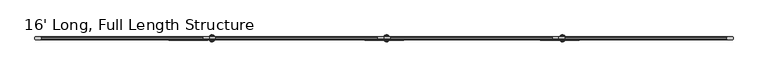
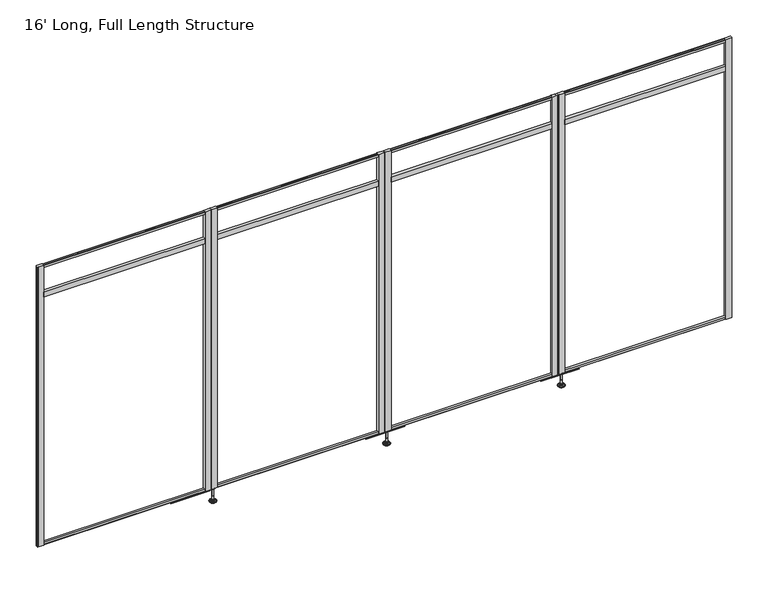
"""IFC4 building model written with IfcOpenShell, lengths in millimetres: furniture geometry, 16' Long, Full Length Structure."""

from ifc_helpers import new_model, si_unit, frame, origin, place, context, project, spatial, polyline, circle_curve, outline, extrude, source, transform, mapped, element, save
from ifc_brep_helpers import plane_surface, cylinder_surface, revolved_surface, advanced_brep


def furniture_16_long_full_length_structure_75994c08(model_context):
    return source(origin(), model_context, "Body", "SolidModel", [
        advanced_brep(
        [(1237.8396665, 0.0, 101.6), (1246.8175879, 0.0, 101.6), (1228.8617451, 0.0, 101.6), (1223.7354265, 0.0, 0.0206943), (1251.9439064, 0.0, 0.0206943), (1237.8396665, 0.0, 0.0206943), (1218.8573948, 0.0, 1.4194474), (1256.8219381, 0.0, 1.4194474), (1215.0954798, 0.0, 4.7394056), (1260.5838532, 0.0, 4.7394056), (1213.9780301, 0.0, 7.5051905), (1261.7013028, 0.0, 7.5051905), (1213.9780301, 0.0, 8.3065967), (1261.7013028, 0.0, 8.3065967), (1214.8204333, 0.0, 9.8469348), (1260.8588996, 0.0, 9.8469348), (1215.920576, 0.0, 10.8375077), (1259.758757, 0.0, 10.8375077), (1223.2242712, 0.0, 12.7338946), (1252.4550617, 0.0, 12.7338946), (1230.6424226, 0.0, 13.3828987), (1245.0369104, 0.0, 13.3828987), (1230.6424226, 0.0, 14.1772758), (1245.0369104, 0.0, 14.1772758), (1233.0392154, 0.0, 14.1772758), (1242.6401175, 0.0, 14.1772758), (1233.0392154, 0.0, 18.8098403), (1242.6401175, 0.0, 18.8098403), (1232.0233627, 0.0, 19.8256929), (1243.6559702, 0.0, 19.8256929), (1232.0233627, 0.0, 48.3056352), (1243.6559702, 0.0, 48.3056352), (1230.7998349, 0.0, 49.9293116), (1244.8794981, 0.0, 49.9293116), (1230.7998349, 0.0, 97.327223), (1244.8794981, 0.0, 97.327223), (1229.9187305, 0.0, 97.6479188), (1245.7606025, 0.0, 97.6479188), (1228.8697415, 0.0, 97.6479188), (1246.8095914, 0.0, 97.6479188), (1227.2047116, 0.0, 98.6092242), (1248.4746213, 0.0, 98.6092242), (1227.2047116, 0.0, 100.6043539), (1248.4746213, 0.0, 100.6043539)],
        [
            (0, 1),
            (1, 2, circle_curve(frame((1237.8396665, 0.0, 101.6), z_axis=(0.0, 0.0, 1.0), x_axis=(1.0, 0.0, 0.0)), 8.9779214)),
            (2, 0),
            (2, 1, circle_curve(frame((1237.8396665, 0.0, 101.6), z_axis=(0.0, 0.0, 1.0), x_axis=(1.0, 0.0, 0.0)), 8.9779214)),
            (3, 4, circle_curve(frame((1237.8396665, 0.0, 0.0206943), z_axis=(0.0, 0.0, -1.0), x_axis=(1.0, 0.0, 0.0)), 14.1042399)),
            (4, 5),
            (5, 3),
            (4, 3, circle_curve(frame((1237.8396665, 0.0, 0.0206943), z_axis=(0.0, 0.0, -1.0), x_axis=(1.0, 0.0, 0.0)), 14.1042399)),
            (6, 7, circle_curve(frame((1237.8396665, 0.0, 1.4194474), z_axis=(0.0, 0.0, -1.0), x_axis=(1.0, 0.0, 0.0)), 18.9822717)),
            (7, 4),
            (3, 6),
            (7, 6, circle_curve(frame((1237.8396665, 0.0, 1.4194474), z_axis=(0.0, 0.0, -1.0), x_axis=(1.0, 0.0, 0.0)), 18.9822717)),
            (8, 9, circle_curve(frame((1237.8396665, 0.0, 4.7394056), z_axis=(0.0, 0.0, -1.0), x_axis=(1.0, 0.0, 0.0)), 22.7441867)),
            (9, 7),
            (6, 8),
            (9, 8, circle_curve(frame((1237.8396665, 0.0, 4.7394056), z_axis=(0.0, 0.0, -1.0), x_axis=(1.0, 0.0, 0.0)), 22.7441867)),
            (10, 11, circle_curve(frame((1237.8396665, 0.0, 7.5051905), z_axis=(0.0, 0.0, -1.0), x_axis=(1.0, 0.0, 0.0)), 23.8616363)),
            (11, 9),
            (8, 10),
            (11, 10, circle_curve(frame((1237.8396665, 0.0, 7.5051905), z_axis=(0.0, 0.0, -1.0), x_axis=(1.0, 0.0, 0.0)), 23.8616363)),
            (12, 13, circle_curve(frame((1237.8396665, 0.0, 8.3065967), z_axis=(0.0, 0.0, -1.0), x_axis=(1.0, 0.0, 0.0)), 23.8616363)),
            (13, 11),
            (10, 12),
            (13, 12, circle_curve(frame((1237.8396665, 0.0, 8.3065967), z_axis=(0.0, 0.0, -1.0), x_axis=(1.0, 0.0, 0.0)), 23.8616363)),
            (14, 15, circle_curve(frame((1237.8396665, 0.0, 9.8469348), z_axis=(0.0, 0.0, -1.0), x_axis=(1.0, 0.0, 0.0)), 23.0192331)),
            (15, 13),
            (12, 14),
            (15, 14, circle_curve(frame((1237.8396665, 0.0, 9.8469348), z_axis=(0.0, 0.0, -1.0), x_axis=(1.0, 0.0, 0.0)), 23.0192331)),
            (16, 17, circle_curve(frame((1237.8396665, 0.0, 10.8375077), z_axis=(0.0, 0.0, -1.0), x_axis=(1.0, 0.0, 0.0)), 21.9190905)),
            (17, 15),
            (14, 16),
            (17, 16, circle_curve(frame((1237.8396665, 0.0, 10.8375077), z_axis=(0.0, 0.0, -1.0), x_axis=(1.0, 0.0, 0.0)), 21.9190905)),
            (18, 19, circle_curve(frame((1237.8396665, 0.0, 12.7338946), z_axis=(0.0, 0.0, -1.0), x_axis=(1.0, 0.0, 0.0)), 14.6153953)),
            (19, 17),
            (16, 18),
            (19, 18, circle_curve(frame((1237.8396665, 0.0, 12.7338946), z_axis=(0.0, 0.0, -1.0), x_axis=(1.0, 0.0, 0.0)), 14.6153953)),
            (20, 21, circle_curve(frame((1237.8396665, 0.0, 13.3828987), z_axis=(0.0, 0.0, -1.0), x_axis=(1.0, 0.0, 0.0)), 7.1972439)),
            (21, 19),
            (18, 20),
            (21, 20, circle_curve(frame((1237.8396665, 0.0, 13.3828987), z_axis=(0.0, 0.0, -1.0), x_axis=(1.0, 0.0, 0.0)), 7.1972439)),
            (22, 23, circle_curve(frame((1237.8396665, 0.0, 14.1772758), z_axis=(0.0, 0.0, -1.0), x_axis=(1.0, 0.0, 0.0)), 7.1972439)),
            (23, 21),
            (20, 22),
            (23, 22, circle_curve(frame((1237.8396665, 0.0, 14.1772758), z_axis=(0.0, 0.0, -1.0), x_axis=(1.0, 0.0, 0.0)), 7.1972439)),
            (24, 25, circle_curve(frame((1237.8396665, 0.0, 14.1772758), z_axis=(0.0, 0.0, -1.0), x_axis=(1.0, 0.0, 0.0)), 4.8004511)),
            (25, 23),
            (22, 24),
            (25, 24, circle_curve(frame((1237.8396665, 0.0, 14.1772758), z_axis=(0.0, 0.0, -1.0), x_axis=(1.0, 0.0, 0.0)), 4.8004511)),
            (26, 27, circle_curve(frame((1237.8396665, 0.0, 18.8098403), z_axis=(0.0, 0.0, -1.0), x_axis=(1.0, 0.0, 0.0)), 4.8004511)),
            (27, 25),
            (24, 26),
            (27, 26, circle_curve(frame((1237.8396665, 0.0, 18.8098403), z_axis=(0.0, 0.0, -1.0), x_axis=(1.0, 0.0, 0.0)), 4.8004511)),
            (28, 29, circle_curve(frame((1237.8396665, 0.0, 19.8256929), z_axis=(0.0, 0.0, -1.0), x_axis=(1.0, 0.0, 0.0)), 5.8163037)),
            (29, 27),
            (26, 28),
            (29, 28, circle_curve(frame((1237.8396665, 0.0, 19.8256929), z_axis=(0.0, 0.0, -1.0), x_axis=(1.0, 0.0, 0.0)), 5.8163037)),
            (30, 31, circle_curve(frame((1237.8396665, 0.0, 48.3056352), z_axis=(0.0, 0.0, -1.0), x_axis=(1.0, 0.0, 0.0)), 5.8163037)),
            (31, 29),
            (28, 30),
            (31, 30, circle_curve(frame((1237.8396665, 0.0, 48.3056352), z_axis=(0.0, 0.0, -1.0), x_axis=(1.0, 0.0, 0.0)), 5.8163037)),
            (32, 33, circle_curve(frame((1237.8396665, 0.0, 49.9293116), z_axis=(0.0, 0.0, -1.0), x_axis=(1.0, 0.0, 0.0)), 7.0398316)),
            (33, 31),
            (30, 32),
            (33, 32, circle_curve(frame((1237.8396665, 0.0, 49.9293116), z_axis=(0.0, 0.0, -1.0), x_axis=(1.0, 0.0, 0.0)), 7.0398316)),
            (34, 35, circle_curve(frame((1237.8396665, 0.0, 97.327223), z_axis=(0.0, 0.0, -1.0), x_axis=(1.0, 0.0, 0.0)), 7.0398316)),
            (35, 33),
            (32, 34),
            (35, 34, circle_curve(frame((1237.8396665, 0.0, 97.327223), z_axis=(0.0, 0.0, -1.0), x_axis=(1.0, 0.0, 0.0)), 7.0398316)),
            (36, 37, circle_curve(frame((1237.8396665, 0.0, 97.6479188), z_axis=(0.0, 0.0, -1.0), x_axis=(1.0, 0.0, 0.0)), 7.920936)),
            (37, 35),
            (34, 36),
            (37, 36, circle_curve(frame((1237.8396665, 0.0, 97.6479188), z_axis=(0.0, 0.0, -1.0), x_axis=(1.0, 0.0, 0.0)), 7.920936)),
            (38, 39, circle_curve(frame((1237.8396665, 0.0, 97.6479188), z_axis=(0.0, 0.0, -1.0), x_axis=(1.0, 0.0, 0.0)), 8.9699249)),
            (39, 37),
            (36, 38),
            (39, 38, circle_curve(frame((1237.8396665, 0.0, 97.6479188), z_axis=(0.0, 0.0, -1.0), x_axis=(1.0, 0.0, 0.0)), 8.9699249)),
            (40, 41, circle_curve(frame((1237.8396665, 0.0, 98.6092242), z_axis=(0.0, 0.0, -1.0), x_axis=(1.0, 0.0, 0.0)), 10.6349548)),
            (41, 39),
            (38, 40),
            (41, 40, circle_curve(frame((1237.8396665, 0.0, 98.6092242), z_axis=(0.0, 0.0, -1.0), x_axis=(1.0, 0.0, 0.0)), 10.6349548)),
            (42, 43, circle_curve(frame((1237.8396665, 0.0, 100.6043539), z_axis=(0.0, 0.0, -1.0), x_axis=(1.0, 0.0, 0.0)), 10.6349548)),
            (43, 41),
            (40, 42),
            (43, 42, circle_curve(frame((1237.8396665, 0.0, 100.6043539), z_axis=(0.0, 0.0, -1.0), x_axis=(1.0, 0.0, 0.0)), 10.6349548)),
            (1, 43),
            (42, 2),
        ],
        [
            plane_surface(frame((1237.8396665, 0.0, 101.6), z_axis=(0.0, 0.0, 1.0), x_axis=(1.0, 0.0, 0.0))),
            plane_surface(frame((1237.8396665, 0.0, 0.0206943), z_axis=(0.0, 0.0, -1.0), x_axis=(1.0, 0.0, 0.0))),
            revolved_surface(polyline([(1251.9439064, 0.0, 0.0206943), (1256.8219381, 0.0, 1.4194474)]), (1237.8396665, 0.0, 101.6), (0.0, 0.0, 1.0)),
            revolved_surface(polyline([(1256.8219381, 0.0, 1.4194474), (1260.5838532, 0.0, 4.7394056)]), (1237.8396665, 0.0, 101.6), (0.0, 0.0, 1.0)),
            revolved_surface(polyline([(1260.5838532, 0.0, 4.7394056), (1261.7013028, 0.0, 7.5051905)]), (1237.8396665, 0.0, 101.6), (0.0, 0.0, 1.0)),
            cylinder_surface(frame((1237.8396665, 0.0, 101.6), z_axis=(0.0, 0.0, 1.0), x_axis=(1.0, 0.0, 0.0)), 23.8616363),
            revolved_surface(polyline([(1261.7013028, 0.0, 8.3065967), (1260.8588996, 0.0, 9.8469348)]), (1237.8396665, 0.0, 101.6), (0.0, 0.0, 1.0)),
            revolved_surface(polyline([(1260.8588996, 0.0, 9.8469348), (1259.758757, 0.0, 10.8375077)]), (1237.8396665, 0.0, 101.6), (0.0, 0.0, 1.0)),
            revolved_surface(polyline([(1259.758757, 0.0, 10.8375077), (1252.4550617, 0.0, 12.7338946)]), (1237.8396665, 0.0, 101.6), (0.0, 0.0, 1.0)),
            revolved_surface(polyline([(1252.4550617, 0.0, 12.7338946), (1245.0369104, 0.0, 13.3828987)]), (1237.8396665, 0.0, 101.6), (0.0, 0.0, 1.0)),
            cylinder_surface(frame((1237.8396665, 0.0, 101.6), z_axis=(0.0, 0.0, 1.0), x_axis=(1.0, 0.0, 0.0)), 7.1972439),
            plane_surface(frame((1237.8396665, 0.0, 14.1772758), z_axis=(0.0, 0.0, 1.0), x_axis=(1.0, 0.0, 0.0))),
            cylinder_surface(frame((1237.8396665, 0.0, 101.6), z_axis=(0.0, 0.0, 1.0), x_axis=(1.0, 0.0, 0.0)), 4.8004511),
            revolved_surface(polyline([(1242.6401175, 0.0, 18.8098403), (1243.6559702, 0.0, 19.8256929)]), (1237.8396665, 0.0, 101.6), (0.0, 0.0, 1.0)),
            cylinder_surface(frame((1237.8396665, 0.0, 101.6), z_axis=(0.0, 0.0, 1.0), x_axis=(1.0, 0.0, 0.0)), 5.8163037),
            revolved_surface(polyline([(1243.6559702, 0.0, 48.3056352), (1244.8794981, 0.0, 49.9293116)]), (1237.8396665, 0.0, 101.6), (0.0, 0.0, 1.0)),
            cylinder_surface(frame((1237.8396665, 0.0, 101.6), z_axis=(0.0, 0.0, 1.0), x_axis=(1.0, 0.0, 0.0)), 7.0398316),
            revolved_surface(polyline([(1244.8794981, 0.0, 97.327223), (1245.7606025, 0.0, 97.6479188)]), (1237.8396665, 0.0, 101.6), (0.0, 0.0, 1.0)),
            plane_surface(frame((1237.8396665, 0.0, 97.6479188), z_axis=(0.0, 0.0, -1.0), x_axis=(1.0, 0.0, 0.0))),
            revolved_surface(polyline([(1246.8095914, 0.0, 97.6479188), (1248.4746213, 0.0, 98.6092242)]), (1237.8396665, 0.0, 101.6), (0.0, 0.0, 1.0)),
            cylinder_surface(frame((1237.8396665, 0.0, 101.6), z_axis=(0.0, 0.0, 1.0), x_axis=(1.0, 0.0, 0.0)), 10.6349548),
            revolved_surface(polyline([(1248.4746213, 0.0, 100.6043539), (1246.8175879, 0.0, 101.6)]), (1237.8396665, 0.0, 101.6), (0.0, 0.0, 1.0)),
        ],
        [
            (0, [[1, 2, 3]]),
            (0, [[-3, 4, -1]]),
            (1, [[5, 6, 7]]),
            (1, [[8, -7, -6]]),
            (2, [[9, 10, -5, 11]]),
            (2, [[12, -11, -8, -10]]),
            (3, [[13, 14, -9, 15]]),
            (3, [[16, -15, -12, -14]]),
            (4, [[17, 18, -13, 19]]),
            (4, [[20, -19, -16, -18]]),
            (5, [[21, 22, -17, 23]]),
            (5, [[24, -23, -20, -22]]),
            (6, [[25, 26, -21, 27]]),
            (6, [[28, -27, -24, -26]]),
            (7, [[29, 30, -25, 31]]),
            (7, [[32, -31, -28, -30]]),
            (8, [[33, 34, -29, 35]]),
            (8, [[36, -35, -32, -34]]),
            (9, [[37, 38, -33, 39]]),
            (9, [[40, -39, -36, -38]]),
            (10, [[41, 42, -37, 43]]),
            (10, [[44, -43, -40, -42]]),
            (11, [[45, 46, -41, 47]]),
            (11, [[48, -47, -44, -46]]),
            (12, [[49, 50, -45, 51]]),
            (12, [[52, -51, -48, -50]]),
            (13, [[53, 54, -49, 55]]),
            (13, [[56, -55, -52, -54]]),
            (14, [[57, 58, -53, 59]]),
            (14, [[60, -59, -56, -58]]),
            (15, [[61, 62, -57, 63]]),
            (15, [[64, -63, -60, -62]]),
            (16, [[65, 66, -61, 67]]),
            (16, [[68, -67, -64, -66]]),
            (17, [[69, 70, -65, 71]]),
            (17, [[72, -71, -68, -70]]),
            (18, [[73, 74, -69, 75]]),
            (18, [[76, -75, -72, -74]]),
            (19, [[77, 78, -73, 79]]),
            (19, [[80, -79, -76, -78]]),
            (20, [[81, 82, -77, 83]]),
            (20, [[84, -83, -80, -82]]),
            (21, [[-2, 85, -81, 86]]),
            (21, [[-4, -86, -84, -85]]),
        ],
    ),
        advanced_brep(
        [(2461.3576665, 0.0, 101.6), (2470.3355879, 0.0, 101.6), (2452.3797451, 0.0, 101.6), (2447.2534265, 0.0, 0.0206943), (2475.4619064, 0.0, 0.0206943), (2461.3576665, 0.0, 0.0206943), (2442.3753948, 0.0, 1.4194474), (2480.3399381, 0.0, 1.4194474), (2438.6134798, 0.0, 4.7394056), (2484.1018532, 0.0, 4.7394056), (2437.4960301, 0.0, 7.5051905), (2485.2193028, 0.0, 7.5051905), (2437.4960301, 0.0, 8.3065967), (2485.2193028, 0.0, 8.3065967), (2438.3384333, 0.0, 9.8469348), (2484.3768996, 0.0, 9.8469348), (2439.438576, 0.0, 10.8375077), (2483.276757, 0.0, 10.8375077), (2446.7422712, 0.0, 12.7338946), (2475.9730617, 0.0, 12.7338946), (2454.1604226, 0.0, 13.3828987), (2468.5549104, 0.0, 13.3828987), (2454.1604226, 0.0, 14.1772758), (2468.5549104, 0.0, 14.1772758), (2456.5572154, 0.0, 14.1772758), (2466.1581175, 0.0, 14.1772758), (2456.5572154, 0.0, 18.8098403), (2466.1581175, 0.0, 18.8098403), (2455.5413627, 0.0, 19.8256929), (2467.1739702, 0.0, 19.8256929), (2455.5413627, 0.0, 48.3056352), (2467.1739702, 0.0, 48.3056352), (2454.3178349, 0.0, 49.9293116), (2468.3974981, 0.0, 49.9293116), (2454.3178349, 0.0, 97.327223), (2468.3974981, 0.0, 97.327223), (2453.4367305, 0.0, 97.6479188), (2469.2786025, 0.0, 97.6479188), (2452.3877415, 0.0, 97.6479188), (2470.3275914, 0.0, 97.6479188), (2450.7227116, 0.0, 98.6092242), (2471.9926213, 0.0, 98.6092242), (2450.7227116, 0.0, 100.6043539), (2471.9926213, 0.0, 100.6043539)],
        [
            (0, 1),
            (1, 2, circle_curve(frame((2461.3576665, 0.0, 101.6), z_axis=(0.0, 0.0, 1.0), x_axis=(1.0, 0.0, 0.0)), 8.9779214)),
            (2, 0),
            (2, 1, circle_curve(frame((2461.3576665, 0.0, 101.6), z_axis=(0.0, 0.0, 1.0), x_axis=(1.0, 0.0, 0.0)), 8.9779214)),
            (3, 4, circle_curve(frame((2461.3576665, 0.0, 0.0206943), z_axis=(0.0, 0.0, -1.0), x_axis=(1.0, 0.0, 0.0)), 14.1042399)),
            (4, 5),
            (5, 3),
            (4, 3, circle_curve(frame((2461.3576665, 0.0, 0.0206943), z_axis=(0.0, 0.0, -1.0), x_axis=(1.0, 0.0, 0.0)), 14.1042399)),
            (6, 7, circle_curve(frame((2461.3576665, 0.0, 1.4194474), z_axis=(0.0, 0.0, -1.0), x_axis=(1.0, 0.0, 0.0)), 18.9822717)),
            (7, 4),
            (3, 6),
            (7, 6, circle_curve(frame((2461.3576665, 0.0, 1.4194474), z_axis=(0.0, 0.0, -1.0), x_axis=(1.0, 0.0, 0.0)), 18.9822717)),
            (8, 9, circle_curve(frame((2461.3576665, 0.0, 4.7394056), z_axis=(0.0, 0.0, -1.0), x_axis=(1.0, 0.0, 0.0)), 22.7441867)),
            (9, 7),
            (6, 8),
            (9, 8, circle_curve(frame((2461.3576665, 0.0, 4.7394056), z_axis=(0.0, 0.0, -1.0), x_axis=(1.0, 0.0, 0.0)), 22.7441867)),
            (10, 11, circle_curve(frame((2461.3576665, 0.0, 7.5051905), z_axis=(0.0, 0.0, -1.0), x_axis=(1.0, 0.0, 0.0)), 23.8616363)),
            (11, 9),
            (8, 10),
            (11, 10, circle_curve(frame((2461.3576665, 0.0, 7.5051905), z_axis=(0.0, 0.0, -1.0), x_axis=(1.0, 0.0, 0.0)), 23.8616363)),
            (12, 13, circle_curve(frame((2461.3576665, 0.0, 8.3065967), z_axis=(0.0, 0.0, -1.0), x_axis=(1.0, 0.0, 0.0)), 23.8616363)),
            (13, 11),
            (10, 12),
            (13, 12, circle_curve(frame((2461.3576665, 0.0, 8.3065967), z_axis=(0.0, 0.0, -1.0), x_axis=(1.0, 0.0, 0.0)), 23.8616363)),
            (14, 15, circle_curve(frame((2461.3576665, 0.0, 9.8469348), z_axis=(0.0, 0.0, -1.0), x_axis=(1.0, 0.0, 0.0)), 23.0192331)),
            (15, 13),
            (12, 14),
            (15, 14, circle_curve(frame((2461.3576665, 0.0, 9.8469348), z_axis=(0.0, 0.0, -1.0), x_axis=(1.0, 0.0, 0.0)), 23.0192331)),
            (16, 17, circle_curve(frame((2461.3576665, 0.0, 10.8375077), z_axis=(0.0, 0.0, -1.0), x_axis=(1.0, 0.0, 0.0)), 21.9190905)),
            (17, 15),
            (14, 16),
            (17, 16, circle_curve(frame((2461.3576665, 0.0, 10.8375077), z_axis=(0.0, 0.0, -1.0), x_axis=(1.0, 0.0, 0.0)), 21.9190905)),
            (18, 19, circle_curve(frame((2461.3576665, 0.0, 12.7338946), z_axis=(0.0, 0.0, -1.0), x_axis=(1.0, 0.0, 0.0)), 14.6153953)),
            (19, 17),
            (16, 18),
            (19, 18, circle_curve(frame((2461.3576665, 0.0, 12.7338946), z_axis=(0.0, 0.0, -1.0), x_axis=(1.0, 0.0, 0.0)), 14.6153953)),
            (20, 21, circle_curve(frame((2461.3576665, 0.0, 13.3828987), z_axis=(0.0, 0.0, -1.0), x_axis=(1.0, 0.0, 0.0)), 7.1972439)),
            (21, 19),
            (18, 20),
            (21, 20, circle_curve(frame((2461.3576665, 0.0, 13.3828987), z_axis=(0.0, 0.0, -1.0), x_axis=(1.0, 0.0, 0.0)), 7.1972439)),
            (22, 23, circle_curve(frame((2461.3576665, 0.0, 14.1772758), z_axis=(0.0, 0.0, -1.0), x_axis=(1.0, 0.0, 0.0)), 7.1972439)),
            (23, 21),
            (20, 22),
            (23, 22, circle_curve(frame((2461.3576665, 0.0, 14.1772758), z_axis=(0.0, 0.0, -1.0), x_axis=(1.0, 0.0, 0.0)), 7.1972439)),
            (24, 25, circle_curve(frame((2461.3576665, 0.0, 14.1772758), z_axis=(0.0, 0.0, -1.0), x_axis=(1.0, 0.0, 0.0)), 4.8004511)),
            (25, 23),
            (22, 24),
            (25, 24, circle_curve(frame((2461.3576665, 0.0, 14.1772758), z_axis=(0.0, 0.0, -1.0), x_axis=(1.0, 0.0, 0.0)), 4.8004511)),
            (26, 27, circle_curve(frame((2461.3576665, 0.0, 18.8098403), z_axis=(0.0, 0.0, -1.0), x_axis=(1.0, 0.0, 0.0)), 4.8004511)),
            (27, 25),
            (24, 26),
            (27, 26, circle_curve(frame((2461.3576665, 0.0, 18.8098403), z_axis=(0.0, 0.0, -1.0), x_axis=(1.0, 0.0, 0.0)), 4.8004511)),
            (28, 29, circle_curve(frame((2461.3576665, 0.0, 19.8256929), z_axis=(0.0, 0.0, -1.0), x_axis=(1.0, 0.0, 0.0)), 5.8163037)),
            (29, 27),
            (26, 28),
            (29, 28, circle_curve(frame((2461.3576665, 0.0, 19.8256929), z_axis=(0.0, 0.0, -1.0), x_axis=(1.0, 0.0, 0.0)), 5.8163037)),
            (30, 31, circle_curve(frame((2461.3576665, 0.0, 48.3056352), z_axis=(0.0, 0.0, -1.0), x_axis=(1.0, 0.0, 0.0)), 5.8163037)),
            (31, 29),
            (28, 30),
            (31, 30, circle_curve(frame((2461.3576665, 0.0, 48.3056352), z_axis=(0.0, 0.0, -1.0), x_axis=(1.0, 0.0, 0.0)), 5.8163037)),
            (32, 33, circle_curve(frame((2461.3576665, 0.0, 49.9293116), z_axis=(0.0, 0.0, -1.0), x_axis=(1.0, 0.0, 0.0)), 7.0398316)),
            (33, 31),
            (30, 32),
            (33, 32, circle_curve(frame((2461.3576665, 0.0, 49.9293116), z_axis=(0.0, 0.0, -1.0), x_axis=(1.0, 0.0, 0.0)), 7.0398316)),
            (34, 35, circle_curve(frame((2461.3576665, 0.0, 97.327223), z_axis=(0.0, 0.0, -1.0), x_axis=(1.0, 0.0, 0.0)), 7.0398316)),
            (35, 33),
            (32, 34),
            (35, 34, circle_curve(frame((2461.3576665, 0.0, 97.327223), z_axis=(0.0, 0.0, -1.0), x_axis=(1.0, 0.0, 0.0)), 7.0398316)),
            (36, 37, circle_curve(frame((2461.3576665, 0.0, 97.6479188), z_axis=(0.0, 0.0, -1.0), x_axis=(1.0, 0.0, 0.0)), 7.920936)),
            (37, 35),
            (34, 36),
            (37, 36, circle_curve(frame((2461.3576665, 0.0, 97.6479188), z_axis=(0.0, 0.0, -1.0), x_axis=(1.0, 0.0, 0.0)), 7.920936)),
            (38, 39, circle_curve(frame((2461.3576665, 0.0, 97.6479188), z_axis=(0.0, 0.0, -1.0), x_axis=(1.0, 0.0, 0.0)), 8.9699249)),
            (39, 37),
            (36, 38),
            (39, 38, circle_curve(frame((2461.3576665, 0.0, 97.6479188), z_axis=(0.0, 0.0, -1.0), x_axis=(1.0, 0.0, 0.0)), 8.9699249)),
            (40, 41, circle_curve(frame((2461.3576665, 0.0, 98.6092242), z_axis=(0.0, 0.0, -1.0), x_axis=(1.0, 0.0, 0.0)), 10.6349548)),
            (41, 39),
            (38, 40),
            (41, 40, circle_curve(frame((2461.3576665, 0.0, 98.6092242), z_axis=(0.0, 0.0, -1.0), x_axis=(1.0, 0.0, 0.0)), 10.6349548)),
            (42, 43, circle_curve(frame((2461.3576665, 0.0, 100.6043539), z_axis=(0.0, 0.0, -1.0), x_axis=(1.0, 0.0, 0.0)), 10.6349548)),
            (43, 41),
            (40, 42),
            (43, 42, circle_curve(frame((2461.3576665, 0.0, 100.6043539), z_axis=(0.0, 0.0, -1.0), x_axis=(1.0, 0.0, 0.0)), 10.6349548)),
            (1, 43),
            (42, 2),
        ],
        [
            plane_surface(frame((2461.3576665, 0.0, 101.6), z_axis=(0.0, 0.0, 1.0), x_axis=(1.0, 0.0, 0.0))),
            plane_surface(frame((2461.3576665, 0.0, 0.0206943), z_axis=(0.0, 0.0, -1.0), x_axis=(1.0, 0.0, 0.0))),
            revolved_surface(polyline([(2475.4619064, 0.0, 0.0206943), (2480.3399381, 0.0, 1.4194474)]), (2461.3576665, 0.0, 101.6), (0.0, 0.0, 1.0)),
            revolved_surface(polyline([(2480.3399381, 0.0, 1.4194474), (2484.1018532, 0.0, 4.7394056)]), (2461.3576665, 0.0, 101.6), (0.0, 0.0, 1.0)),
            revolved_surface(polyline([(2484.1018532, 0.0, 4.7394056), (2485.2193028, 0.0, 7.5051905)]), (2461.3576665, 0.0, 101.6), (0.0, 0.0, 1.0)),
            cylinder_surface(frame((2461.3576665, 0.0, 101.6), z_axis=(0.0, 0.0, 1.0), x_axis=(1.0, 0.0, 0.0)), 23.8616363),
            revolved_surface(polyline([(2485.2193028, 0.0, 8.3065967), (2484.3768996, 0.0, 9.8469348)]), (2461.3576665, 0.0, 101.6), (0.0, 0.0, 1.0)),
            revolved_surface(polyline([(2484.3768996, 0.0, 9.8469348), (2483.276757, 0.0, 10.8375077)]), (2461.3576665, 0.0, 101.6), (0.0, 0.0, 1.0)),
            revolved_surface(polyline([(2483.276757, 0.0, 10.8375077), (2475.9730617, 0.0, 12.7338946)]), (2461.3576665, 0.0, 101.6), (0.0, 0.0, 1.0)),
            revolved_surface(polyline([(2475.9730617, 0.0, 12.7338946), (2468.5549104, 0.0, 13.3828987)]), (2461.3576665, 0.0, 101.6), (0.0, 0.0, 1.0)),
            cylinder_surface(frame((2461.3576665, 0.0, 101.6), z_axis=(0.0, 0.0, 1.0), x_axis=(1.0, 0.0, 0.0)), 7.1972439),
            plane_surface(frame((2461.3576665, 0.0, 14.1772758), z_axis=(0.0, 0.0, 1.0), x_axis=(1.0, 0.0, 0.0))),
            cylinder_surface(frame((2461.3576665, 0.0, 101.6), z_axis=(0.0, 0.0, 1.0), x_axis=(1.0, 0.0, 0.0)), 4.8004511),
            revolved_surface(polyline([(2466.1581175, 0.0, 18.8098403), (2467.1739702, 0.0, 19.8256929)]), (2461.3576665, 0.0, 101.6), (0.0, 0.0, 1.0)),
            cylinder_surface(frame((2461.3576665, 0.0, 101.6), z_axis=(0.0, 0.0, 1.0), x_axis=(1.0, 0.0, 0.0)), 5.8163037),
            revolved_surface(polyline([(2467.1739702, 0.0, 48.3056352), (2468.3974981, 0.0, 49.9293116)]), (2461.3576665, 0.0, 101.6), (0.0, 0.0, 1.0)),
            cylinder_surface(frame((2461.3576665, 0.0, 101.6), z_axis=(0.0, 0.0, 1.0), x_axis=(1.0, 0.0, 0.0)), 7.0398316),
            revolved_surface(polyline([(2468.3974981, 0.0, 97.327223), (2469.2786025, 0.0, 97.6479188)]), (2461.3576665, 0.0, 101.6), (0.0, 0.0, 1.0)),
            plane_surface(frame((2461.3576665, 0.0, 97.6479188), z_axis=(0.0, 0.0, -1.0), x_axis=(1.0, 0.0, 0.0))),
            revolved_surface(polyline([(2470.3275914, 0.0, 97.6479188), (2471.9926213, 0.0, 98.6092242)]), (2461.3576665, 0.0, 101.6), (0.0, 0.0, 1.0)),
            cylinder_surface(frame((2461.3576665, 0.0, 101.6), z_axis=(0.0, 0.0, 1.0), x_axis=(1.0, 0.0, 0.0)), 10.6349548),
            revolved_surface(polyline([(2471.9926213, 0.0, 100.6043539), (2470.3355879, 0.0, 101.6)]), (2461.3576665, 0.0, 101.6), (0.0, 0.0, 1.0)),
        ],
        [
            (0, [[1, 2, 3]]),
            (0, [[-3, 4, -1]]),
            (1, [[5, 6, 7]]),
            (1, [[8, -7, -6]]),
            (2, [[9, 10, -5, 11]]),
            (2, [[12, -11, -8, -10]]),
            (3, [[13, 14, -9, 15]]),
            (3, [[16, -15, -12, -14]]),
            (4, [[17, 18, -13, 19]]),
            (4, [[20, -19, -16, -18]]),
            (5, [[21, 22, -17, 23]]),
            (5, [[24, -23, -20, -22]]),
            (6, [[25, 26, -21, 27]]),
            (6, [[28, -27, -24, -26]]),
            (7, [[29, 30, -25, 31]]),
            (7, [[32, -31, -28, -30]]),
            (8, [[33, 34, -29, 35]]),
            (8, [[36, -35, -32, -34]]),
            (9, [[37, 38, -33, 39]]),
            (9, [[40, -39, -36, -38]]),
            (10, [[41, 42, -37, 43]]),
            (10, [[44, -43, -40, -42]]),
            (11, [[45, 46, -41, 47]]),
            (11, [[48, -47, -44, -46]]),
            (12, [[49, 50, -45, 51]]),
            (12, [[52, -51, -48, -50]]),
            (13, [[53, 54, -49, 55]]),
            (13, [[56, -55, -52, -54]]),
            (14, [[57, 58, -53, 59]]),
            (14, [[60, -59, -56, -58]]),
            (15, [[61, 62, -57, 63]]),
            (15, [[64, -63, -60, -62]]),
            (16, [[65, 66, -61, 67]]),
            (16, [[68, -67, -64, -66]]),
            (17, [[69, 70, -65, 71]]),
            (17, [[72, -71, -68, -70]]),
            (18, [[73, 74, -69, 75]]),
            (18, [[76, -75, -72, -74]]),
            (19, [[77, 78, -73, 79]]),
            (19, [[80, -79, -76, -78]]),
            (20, [[81, 82, -77, 83]]),
            (20, [[84, -83, -80, -82]]),
            (21, [[-2, 85, -81, 86]]),
            (21, [[-4, -86, -84, -85]]),
        ],
    ),
        advanced_brep(
        [(3690.3447716, 0.0, 103.7082), (3699.322693, 0.0, 103.7082), (3681.3668502, 0.0, 103.7082), (3704.4490115, 0.0, 2.1288943), (3690.3447716, 0.0, 2.1288943), (3676.2405317, 0.0, 2.1288943), (3709.3270433, 0.0, 3.5276474), (3671.3624999, 0.0, 3.5276474), (3713.0889583, 0.0, 6.8476056), (3667.6005849, 0.0, 6.8476056), (3714.2064079, 0.0, 9.6133905), (3666.4831353, 0.0, 9.6133905), (3714.2064079, 0.0, 10.4147967), (3666.4831353, 0.0, 10.4147967), (3713.3640047, 0.0, 11.9551348), (3667.3255385, 0.0, 11.9551348), (3712.2638621, 0.0, 12.9457077), (3668.4256811, 0.0, 12.9457077), (3704.9601669, 0.0, 14.8420946), (3675.7293763, 0.0, 14.8420946), (3697.5420155, 0.0, 15.4910987), (3683.1475277, 0.0, 15.4910987), (3697.5420155, 0.0, 16.2854758), (3683.1475277, 0.0, 16.2854758), (3695.1452227, 0.0, 16.2854758), (3685.5443205, 0.0, 16.2854758), (3695.1452227, 0.0, 20.9180403), (3685.5443205, 0.0, 20.9180403), (3696.1610753, 0.0, 21.9338929), (3684.5284679, 0.0, 21.9338929), (3696.1610753, 0.0, 50.4138352), (3684.5284679, 0.0, 50.4138352), (3697.3846032, 0.0, 52.0375116), (3683.30494, 0.0, 52.0375116), (3697.3846032, 0.0, 99.435423), (3683.30494, 0.0, 99.435423), (3698.2657076, 0.0, 99.7561188), (3682.4238356, 0.0, 99.7561188), (3699.3146965, 0.0, 99.7561188), (3681.3748467, 0.0, 99.7561188), (3700.9797264, 0.0, 100.7174242), (3679.7098168, 0.0, 100.7174242), (3700.9797264, 0.0, 102.7125539), (3679.7098168, 0.0, 102.7125539)],
        [
            (0, 1),
            (1, 2, circle_curve(frame((3690.3447716, 0.0, 103.7082), z_axis=(0.0, 0.0, 1.0), x_axis=(-1.0, 0.0, 0.0)), 8.9779214)),
            (2, 0),
            (2, 1, circle_curve(frame((3690.3447716, 0.0, 103.7082), z_axis=(0.0, 0.0, 1.0), x_axis=(-1.0, 0.0, 0.0)), 8.9779214)),
            (3, 4),
            (4, 5),
            (5, 3, circle_curve(frame((3690.3447716, 0.0, 2.1288943), z_axis=(0.0, 0.0, -1.0), x_axis=(-1.0, 0.0, 0.0)), 14.1042399)),
            (3, 5, circle_curve(frame((3690.3447716, 0.0, 2.1288943), z_axis=(0.0, 0.0, -1.0), x_axis=(-1.0, 0.0, 0.0)), 14.1042399)),
            (6, 3),
            (5, 7),
            (7, 6, circle_curve(frame((3690.3447716, 0.0, 3.5276474), z_axis=(0.0, 0.0, -1.0), x_axis=(-1.0, 0.0, 0.0)), 18.9822717)),
            (6, 7, circle_curve(frame((3690.3447716, 0.0, 3.5276474), z_axis=(0.0, 0.0, -1.0), x_axis=(-1.0, 0.0, 0.0)), 18.9822717)),
            (8, 6),
            (7, 9),
            (9, 8, circle_curve(frame((3690.3447716, 0.0, 6.8476056), z_axis=(0.0, 0.0, -1.0), x_axis=(-1.0, 0.0, 0.0)), 22.7441867)),
            (8, 9, circle_curve(frame((3690.3447716, 0.0, 6.8476056), z_axis=(0.0, 0.0, -1.0), x_axis=(-1.0, 0.0, 0.0)), 22.7441867)),
            (10, 8),
            (9, 11),
            (11, 10, circle_curve(frame((3690.3447716, 0.0, 9.6133905), z_axis=(0.0, 0.0, -1.0), x_axis=(-1.0, 0.0, 0.0)), 23.8616363)),
            (10, 11, circle_curve(frame((3690.3447716, 0.0, 9.6133905), z_axis=(0.0, 0.0, -1.0), x_axis=(-1.0, 0.0, 0.0)), 23.8616363)),
            (12, 10),
            (11, 13),
            (13, 12, circle_curve(frame((3690.3447716, 0.0, 10.4147967), z_axis=(0.0, 0.0, -1.0), x_axis=(-1.0, 0.0, 0.0)), 23.8616363)),
            (12, 13, circle_curve(frame((3690.3447716, 0.0, 10.4147967), z_axis=(0.0, 0.0, -1.0), x_axis=(-1.0, 0.0, 0.0)), 23.8616363)),
            (14, 12),
            (13, 15),
            (15, 14, circle_curve(frame((3690.3447716, 0.0, 11.9551348), z_axis=(0.0, 0.0, -1.0), x_axis=(-1.0, 0.0, 0.0)), 23.0192331)),
            (14, 15, circle_curve(frame((3690.3447716, 0.0, 11.9551348), z_axis=(0.0, 0.0, -1.0), x_axis=(-1.0, 0.0, 0.0)), 23.0192331)),
            (16, 14),
            (15, 17),
            (17, 16, circle_curve(frame((3690.3447716, 0.0, 12.9457077), z_axis=(0.0, 0.0, -1.0), x_axis=(-1.0, 0.0, 0.0)), 21.9190905)),
            (16, 17, circle_curve(frame((3690.3447716, 0.0, 12.9457077), z_axis=(0.0, 0.0, -1.0), x_axis=(-1.0, 0.0, 0.0)), 21.9190905)),
            (18, 16),
            (17, 19),
            (19, 18, circle_curve(frame((3690.3447716, 0.0, 14.8420946), z_axis=(0.0, 0.0, -1.0), x_axis=(-1.0, 0.0, 0.0)), 14.6153953)),
            (18, 19, circle_curve(frame((3690.3447716, 0.0, 14.8420946), z_axis=(0.0, 0.0, -1.0), x_axis=(-1.0, 0.0, 0.0)), 14.6153953)),
            (20, 18),
            (19, 21),
            (21, 20, circle_curve(frame((3690.3447716, 0.0, 15.4910987), z_axis=(0.0, 0.0, -1.0), x_axis=(-1.0, 0.0, 0.0)), 7.1972439)),
            (20, 21, circle_curve(frame((3690.3447716, 0.0, 15.4910987), z_axis=(0.0, 0.0, -1.0), x_axis=(-1.0, 0.0, 0.0)), 7.1972439)),
            (22, 20),
            (21, 23),
            (23, 22, circle_curve(frame((3690.3447716, 0.0, 16.2854758), z_axis=(0.0, 0.0, -1.0), x_axis=(-1.0, 0.0, 0.0)), 7.1972439)),
            (22, 23, circle_curve(frame((3690.3447716, 0.0, 16.2854758), z_axis=(0.0, 0.0, -1.0), x_axis=(-1.0, 0.0, 0.0)), 7.1972439)),
            (24, 22),
            (23, 25),
            (25, 24, circle_curve(frame((3690.3447716, 0.0, 16.2854758), z_axis=(0.0, 0.0, -1.0), x_axis=(-1.0, 0.0, 0.0)), 4.8004511)),
            (24, 25, circle_curve(frame((3690.3447716, 0.0, 16.2854758), z_axis=(0.0, 0.0, -1.0), x_axis=(-1.0, 0.0, 0.0)), 4.8004511)),
            (26, 24),
            (25, 27),
            (27, 26, circle_curve(frame((3690.3447716, 0.0, 20.9180403), z_axis=(0.0, 0.0, -1.0), x_axis=(-1.0, 0.0, 0.0)), 4.8004511)),
            (26, 27, circle_curve(frame((3690.3447716, 0.0, 20.9180403), z_axis=(0.0, 0.0, -1.0), x_axis=(-1.0, 0.0, 0.0)), 4.8004511)),
            (28, 26),
            (27, 29),
            (29, 28, circle_curve(frame((3690.3447716, 0.0, 21.9338929), z_axis=(0.0, 0.0, -1.0), x_axis=(-1.0, 0.0, 0.0)), 5.8163037)),
            (28, 29, circle_curve(frame((3690.3447716, 0.0, 21.9338929), z_axis=(0.0, 0.0, -1.0), x_axis=(-1.0, 0.0, 0.0)), 5.8163037)),
            (30, 28),
            (29, 31),
            (31, 30, circle_curve(frame((3690.3447716, 0.0, 50.4138352), z_axis=(0.0, 0.0, -1.0), x_axis=(-1.0, 0.0, 0.0)), 5.8163037)),
            (30, 31, circle_curve(frame((3690.3447716, 0.0, 50.4138352), z_axis=(0.0, 0.0, -1.0), x_axis=(-1.0, 0.0, 0.0)), 5.8163037)),
            (32, 30),
            (31, 33),
            (33, 32, circle_curve(frame((3690.3447716, 0.0, 52.0375116), z_axis=(0.0, 0.0, -1.0), x_axis=(-1.0, 0.0, 0.0)), 7.0398316)),
            (32, 33, circle_curve(frame((3690.3447716, 0.0, 52.0375116), z_axis=(0.0, 0.0, -1.0), x_axis=(-1.0, 0.0, 0.0)), 7.0398316)),
            (34, 32),
            (33, 35),
            (35, 34, circle_curve(frame((3690.3447716, 0.0, 99.435423), z_axis=(0.0, 0.0, -1.0), x_axis=(-1.0, 0.0, 0.0)), 7.0398316)),
            (34, 35, circle_curve(frame((3690.3447716, 0.0, 99.435423), z_axis=(0.0, 0.0, -1.0), x_axis=(-1.0, 0.0, 0.0)), 7.0398316)),
            (36, 34),
            (35, 37),
            (37, 36, circle_curve(frame((3690.3447716, 0.0, 99.7561188), z_axis=(0.0, 0.0, -1.0), x_axis=(-1.0, 0.0, 0.0)), 7.920936)),
            (36, 37, circle_curve(frame((3690.3447716, 0.0, 99.7561188), z_axis=(0.0, 0.0, -1.0), x_axis=(-1.0, 0.0, 0.0)), 7.920936)),
            (38, 36),
            (37, 39),
            (39, 38, circle_curve(frame((3690.3447716, 0.0, 99.7561188), z_axis=(0.0, 0.0, -1.0), x_axis=(-1.0, 0.0, 0.0)), 8.9699249)),
            (38, 39, circle_curve(frame((3690.3447716, 0.0, 99.7561188), z_axis=(0.0, 0.0, -1.0), x_axis=(-1.0, 0.0, 0.0)), 8.9699249)),
            (40, 38),
            (39, 41),
            (41, 40, circle_curve(frame((3690.3447716, 0.0, 100.7174242), z_axis=(0.0, 0.0, -1.0), x_axis=(-1.0, 0.0, 0.0)), 10.6349548)),
            (40, 41, circle_curve(frame((3690.3447716, 0.0, 100.7174242), z_axis=(0.0, 0.0, -1.0), x_axis=(-1.0, 0.0, 0.0)), 10.6349548)),
            (42, 40),
            (41, 43),
            (43, 42, circle_curve(frame((3690.3447716, 0.0, 102.7125539), z_axis=(0.0, 0.0, -1.0), x_axis=(-1.0, 0.0, 0.0)), 10.6349548)),
            (42, 43, circle_curve(frame((3690.3447716, 0.0, 102.7125539), z_axis=(0.0, 0.0, -1.0), x_axis=(-1.0, 0.0, 0.0)), 10.6349548)),
            (1, 42),
            (43, 2),
        ],
        [
            plane_surface(frame((3690.3447716, 0.0, 103.7082), z_axis=(0.0, 0.0, 1.0), x_axis=(-1.0, 0.0, 0.0))),
            plane_surface(frame((3690.3447716, 0.0, 2.1288943), z_axis=(0.0, 0.0, -1.0), x_axis=(-1.0, 0.0, 0.0))),
            revolved_surface(polyline([(3676.2405317, 0.0, 2.1288943), (3671.3624999, 0.0, 3.5276474)]), (3690.3447716, 0.0, 103.7082), (0.0, 0.0, 1.0)),
            revolved_surface(polyline([(3671.3624999, 0.0, 3.5276474), (3667.6005849, 0.0, 6.8476056)]), (3690.3447716, 0.0, 103.7082), (0.0, 0.0, 1.0)),
            revolved_surface(polyline([(3667.6005849, 0.0, 6.8476056), (3666.4831353, 0.0, 9.6133905)]), (3690.3447716, 0.0, 103.7082), (0.0, 0.0, 1.0)),
            cylinder_surface(frame((3690.3447716, 0.0, 103.7082), z_axis=(0.0, 0.0, 1.0), x_axis=(-1.0, 0.0, 0.0)), 23.8616363),
            revolved_surface(polyline([(3666.4831353, 0.0, 10.4147967), (3667.3255385, 0.0, 11.9551348)]), (3690.3447716, 0.0, 103.7082), (0.0, 0.0, 1.0)),
            revolved_surface(polyline([(3667.3255385, 0.0, 11.9551348), (3668.4256811, 0.0, 12.9457077)]), (3690.3447716, 0.0, 103.7082), (0.0, 0.0, 1.0)),
            revolved_surface(polyline([(3668.4256811, 0.0, 12.9457077), (3675.7293763, 0.0, 14.8420946)]), (3690.3447716, 0.0, 103.7082), (0.0, 0.0, 1.0)),
            revolved_surface(polyline([(3675.7293763, 0.0, 14.8420946), (3683.1475277, 0.0, 15.4910987)]), (3690.3447716, 0.0, 103.7082), (0.0, 0.0, 1.0)),
            cylinder_surface(frame((3690.3447716, 0.0, 103.7082), z_axis=(0.0, 0.0, 1.0), x_axis=(-1.0, 0.0, 0.0)), 7.1972439),
            plane_surface(frame((3690.3447716, 0.0, 16.2854758), z_axis=(0.0, 0.0, 1.0), x_axis=(-1.0, 0.0, 0.0))),
            cylinder_surface(frame((3690.3447716, 0.0, 103.7082), z_axis=(0.0, 0.0, 1.0), x_axis=(-1.0, 0.0, 0.0)), 4.8004511),
            revolved_surface(polyline([(3685.5443205, 0.0, 20.9180403), (3684.5284679, 0.0, 21.9338929)]), (3690.3447716, 0.0, 103.7082), (0.0, 0.0, 1.0)),
            cylinder_surface(frame((3690.3447716, 0.0, 103.7082), z_axis=(0.0, 0.0, 1.0), x_axis=(-1.0, 0.0, 0.0)), 5.8163037),
            revolved_surface(polyline([(3684.5284679, 0.0, 50.4138352), (3683.30494, 0.0, 52.0375116)]), (3690.3447716, 0.0, 103.7082), (0.0, 0.0, 1.0)),
            cylinder_surface(frame((3690.3447716, 0.0, 103.7082), z_axis=(0.0, 0.0, 1.0), x_axis=(-1.0, 0.0, 0.0)), 7.0398316),
            revolved_surface(polyline([(3683.30494, 0.0, 99.435423), (3682.4238356, 0.0, 99.7561188)]), (3690.3447716, 0.0, 103.7082), (0.0, 0.0, 1.0)),
            plane_surface(frame((3690.3447716, 0.0, 99.7561188), z_axis=(0.0, 0.0, -1.0), x_axis=(-1.0, 0.0, 0.0))),
            revolved_surface(polyline([(3681.3748467, 0.0, 99.7561188), (3679.7098168, 0.0, 100.7174242)]), (3690.3447716, 0.0, 103.7082), (0.0, 0.0, 1.0)),
            cylinder_surface(frame((3690.3447716, 0.0, 103.7082), z_axis=(0.0, 0.0, 1.0), x_axis=(-1.0, 0.0, 0.0)), 10.6349548),
            revolved_surface(polyline([(3679.7098168, 0.0, 102.7125539), (3681.3668502, 0.0, 103.7082)]), (3690.3447716, 0.0, 103.7082), (0.0, 0.0, 1.0)),
        ],
        [
            (0, [[1, 2, 3]]),
            (0, [[-3, 4, -1]]),
            (1, [[5, 6, 7]]),
            (1, [[-6, -5, 8]]),
            (2, [[9, -7, 10, 11]]),
            (2, [[-10, -8, -9, 12]]),
            (3, [[13, -11, 14, 15]]),
            (3, [[-14, -12, -13, 16]]),
            (4, [[17, -15, 18, 19]]),
            (4, [[-18, -16, -17, 20]]),
            (5, [[21, -19, 22, 23]]),
            (5, [[-22, -20, -21, 24]]),
            (6, [[25, -23, 26, 27]]),
            (6, [[-26, -24, -25, 28]]),
            (7, [[29, -27, 30, 31]]),
            (7, [[-30, -28, -29, 32]]),
            (8, [[33, -31, 34, 35]]),
            (8, [[-34, -32, -33, 36]]),
            (9, [[37, -35, 38, 39]]),
            (9, [[-38, -36, -37, 40]]),
            (10, [[41, -39, 42, 43]]),
            (10, [[-42, -40, -41, 44]]),
            (11, [[45, -43, 46, 47]]),
            (11, [[-46, -44, -45, 48]]),
            (12, [[49, -47, 50, 51]]),
            (12, [[-50, -48, -49, 52]]),
            (13, [[53, -51, 54, 55]]),
            (13, [[-54, -52, -53, 56]]),
            (14, [[57, -55, 58, 59]]),
            (14, [[-58, -56, -57, 60]]),
            (15, [[61, -59, 62, 63]]),
            (15, [[-62, -60, -61, 64]]),
            (16, [[65, -63, 66, 67]]),
            (16, [[-66, -64, -65, 68]]),
            (17, [[69, -67, 70, 71]]),
            (17, [[-70, -68, -69, 72]]),
            (18, [[73, -71, 74, 75]]),
            (18, [[-74, -72, -73, 76]]),
            (19, [[77, -75, 78, 79]]),
            (19, [[-78, -76, -77, 80]]),
            (20, [[81, -79, 82, 83]]),
            (20, [[-82, -80, -81, 84]]),
            (21, [[85, -83, 86, -2]]),
            (21, [[-86, -84, -85, -4]]),
        ],
    ),
        extrude(outline(polyline([(1177.1999837, 10.5559997), (1215.9749788, 10.5559997), (1218.2548905, 9.6109027), (1219.2, 7.3310001), (1219.2, -7.3310001), (1218.2548905, -9.6109027), (1215.9749788, -10.5559997), (1177.1999837, -10.5559997), (1177.1999837, 10.5559997)])), frame((0.0, 0.0, 103.4818084), z_axis=(0.0, 0.0, 1.0), x_axis=(1.0, 0.0, 0.0)), (0.0, 0.0, 1.0), 2081.3499916),
        extrude(outline(polyline([(1263.5599837, 10.5559997), (1263.5599837, -10.5559997), (1224.7849886, -10.5559997), (1222.5050768, -9.6109027), (1221.5599674, -7.3310001), (1221.5599674, 7.3310001), (1222.5050768, 9.6109027), (1224.7849886, 10.5559997), (1263.5599837, 10.5559997)])), frame((0.0, 0.0, 103.4818084), z_axis=(0.0, 0.0, 1.0), x_axis=(1.0, 0.0, 0.0)), (0.0, 0.0, 1.0), 2081.3499916),
        extrude(outline(polyline([(3708.2360163, 10.5559997), (3708.2360163, -10.5559997), (3669.4610212, -10.5559997), (3667.1811095, -9.6109027), (3666.236, -7.3310001), (3666.236, 7.3310001), (3667.1811095, 9.6109027), (3669.4610212, 10.5559997), (3708.2360163, 10.5559997)])), frame((0.0, 0.0, 103.4818084), z_axis=(0.0, 0.0, 1.0), x_axis=(1.0, 0.0, 0.0)), (0.0, 0.0, 1.0), 2081.3499916),
        extrude(outline(polyline([(3621.8760163, 10.5559997), (3660.6510114, 10.5559997), (3662.9309232, 9.6109027), (3663.8760326, 7.3310001), (3663.8760326, -7.3310001), (3662.9309232, -9.6109027), (3660.6510114, -10.5559997), (3621.8760163, -10.5559997), (3621.8760163, 10.5559997)])), frame((0.0, 0.0, 103.4818084), z_axis=(0.0, 0.0, 1.0), x_axis=(1.0, 0.0, 0.0)), (0.0, 0.0, 1.0), 2081.3499916),
        extrude(outline(polyline([(2485.898, 10.5559997), (2485.898, -10.5559997), (2447.1230049, -10.5559997), (2444.8430932, -9.6109027), (2443.8979837, -7.3310001), (2443.8979837, 7.3310001), (2444.8430932, 9.6109027), (2447.1230049, 10.5559997), (2485.898, 10.5559997)])), frame((0.0, 0.0, 103.4818084), z_axis=(0.0, 0.0, 1.0), x_axis=(1.0, 0.0, 0.0)), (0.0, 0.0, 1.0), 2081.3499916),
        extrude(outline(polyline([(2399.538, 10.5559997), (2438.3129951, 10.5559997), (2440.5929068, 9.6109027), (2441.5380163, 7.3310001), (2441.5380163, -7.3310001), (2440.5929068, -9.6109027), (2438.3129951, -10.5559997), (2399.538, -10.5559997), (2399.538, 10.5559997)])), frame((0.0, 0.0, 103.4818084), z_axis=(0.0, 0.0, 1.0), x_axis=(1.0, 0.0, 0.0)), (0.0, 0.0, 1.0), 2081.3499916),
        extrude(outline(polyline([(2580.3470218, 12.2069997), (2580.3470218, -12.2069997), (2306.7145782, -12.2069997), (2306.7145782, 12.2069997), (2580.3470218, 12.2069997)])), frame((0.0, 0.0, 97.327223), z_axis=(0.0, 0.0, 1.0), x_axis=(1.0, 0.0, 0.0)), (0.0, 0.0, 1.0), 3.8128244),
        extrude(outline(polyline([(1209.3067, 12.2069997), (1209.3067, -12.2069997), (935.6742565, -12.2069997), (935.6742565, 12.2069997), (1209.3067, 12.2069997)])), frame((0.0, 0.0, 97.327223), z_axis=(0.0, 0.0, 1.0), x_axis=(1.0, 0.0, 0.0)), (0.0, 0.0, 1.0), 3.8128244),
        extrude(outline(polyline([(3536.9519945, 12.2069997), (3810.5844381, 12.2069997), (3810.5844381, -12.2069997), (3536.9519945, -12.2069997), (3536.9519945, 12.2069997)])), frame((0.0, 0.0, 97.327223), z_axis=(0.0, 0.0, 1.0), x_axis=(1.0, 0.0, 0.0)), (0.0, 0.0, 1.0), 3.8128244),
        extrude(outline(polyline([(-8.9429997, 2166.849753), (-8.9429997, 2180.8497706), (-8.0643203, 2182.9710074), (-5.943, 2183.8497328), (5.943, 2183.8497328), (8.0643203, 2182.9710074), (8.9429997, 2180.8497706), (8.9429997, 2166.849753), (-8.9429997, 2166.849753)])), frame((43.1799273, 0.0, 0.0), z_axis=(1.0, 0.0, 0.0), x_axis=(0.0, 1.0, 0.0)), (0.0, 0.0, 1.0), 4798.9490727),
        extrude(outline(polyline([(43.1799273, 10.5559997), (43.1799273, -10.5559997), (3.2032054, -10.5559997), (0.9232937, -9.6109027), (-0.0218157, -7.3310001), (-0.0218157, 7.3310001), (0.9232937, 9.6109027), (3.2032054, 10.5559997), (43.1799273, 10.5559997)])), frame((0.0, 0.0, 101.6), z_axis=(0.0, 0.0, 1.0), x_axis=(1.0, 0.0, 0.0)), (0.0, 0.0, 1.0), 2083.2318),
        extrude(outline(polyline([(4842.129, 10.5559997), (4882.3264304, 10.5559997), (4884.6063784, 9.6109027), (4885.436, 7.6093626), (4885.436, -7.6093626), (4884.6063784, -9.6109027), (4882.3264304, -10.5559997), (4842.129, -10.5559997), (4842.129, 10.5559997)])), frame((0.0, 0.0, 101.6), z_axis=(0.0, 0.0, 1.0), x_axis=(1.0, 0.0, 0.0)), (0.0, 0.0, 1.0), 2083.2318),
        extrude(outline(polyline([(-8.9429997, 120.2482272), (8.9429997, 120.2482272), (8.9429997, 106.2482097), (8.0643203, 104.1269729), (5.943, 103.2482475), (-5.943, 103.2482475), (-8.0643203, 104.1269729), (-8.9429997, 106.2482097), (-8.9429997, 120.2482272)])), frame((43.1799273, 0.0, 0.0), z_axis=(1.0, 0.0, 0.0), x_axis=(0.0, 1.0, 0.0)), (0.0, 0.0, 1.0), 4798.9490727),
        extrude(outline(polyline([(4842.129, 10.5559997), (4842.129, -10.5559997), (3708.2360163, -10.5559997), (3708.2360163, 10.5559997), (4842.129, 10.5559997)])), frame((0.0, 0.0, 1949.2990402), z_axis=(0.0, 0.0, 1.0), x_axis=(1.0, 0.0, 0.0)), (0.0, 0.0, 1.0), 38.1),
        extrude(outline(polyline([(41.0717273, -10.5559997), (41.0717273, 10.5559997), (1177.1999837, 10.5559997), (1177.1999837, -10.5559997), (41.0717273, -10.5559997)])), frame((0.0, 0.0, 1949.2990402), z_axis=(0.0, 0.0, 1.0), x_axis=(1.0, 0.0, 0.0)), (0.0, 0.0, 1.0), 38.1),
        extrude(outline(polyline([(2399.538, -10.5559997), (1263.5599837, -10.5559997), (1263.5599837, 10.5559997), (2399.538, 10.5559997), (2399.538, -10.5559997)])), frame((0.0, 0.0, 1949.2990402), z_axis=(0.0, 0.0, 1.0), x_axis=(1.0, 0.0, 0.0)), (0.0, 0.0, 1.0), 38.1),
        extrude(outline(polyline([(3621.8760163, -10.5559997), (2485.898, -10.5559997), (2485.898, 10.5559997), (3621.8760163, 10.5559997), (3621.8760163, -10.5559997)])), frame((0.0, 0.0, 1949.2990402), z_axis=(0.0, 0.0, 1.0), x_axis=(1.0, 0.0, 0.0)), (0.0, 0.0, 1.0), 38.1),
    ])


if __name__ == "__main__":
    model = new_model("IFC4")
    model_context = context("Model", 3, world=origin())
    ifc_project = project(units=[si_unit("LENGTHUNIT", "METRE", prefix="MILLI")], contexts=[model_context])
    site = spatial("IfcSite", under=ifc_project)
    building = spatial("IfcBuilding", under=site)
    placement = place(None, origin())
    furniture_16_long_full_length_structure_shape = furniture_16_long_full_length_structure_75994c08(model_context)
    element("IfcFurniture", 1, ObjectType="16' Long, Full Length Structure", at=placement, inside=building, context=model_context, shape_type="MappedRepresentation", body=[
        mapped(furniture_16_long_full_length_structure_shape, transform((0.0, 0.0, 0.0), x_axis=(1.0, 0.0, 0.0), y_axis=(0.0, 1.0, 0.0), z_axis=(0.0, 0.0, 1.0))),
    ])
    save(model, "model.ifc")
